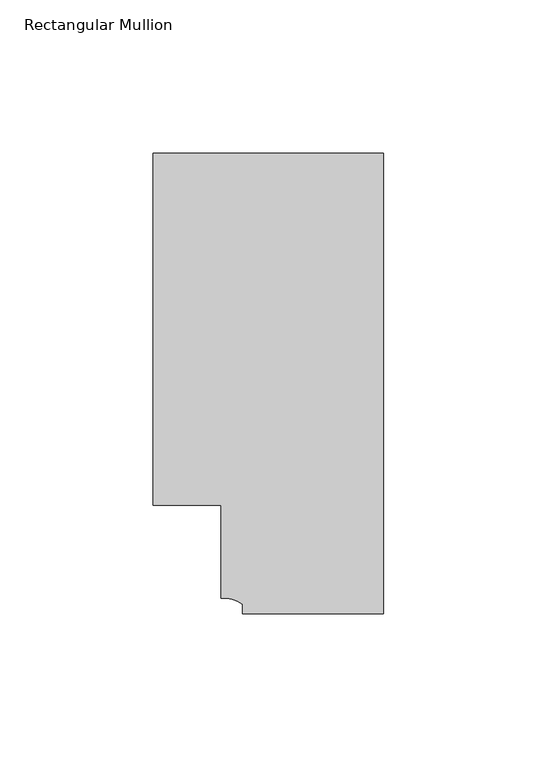
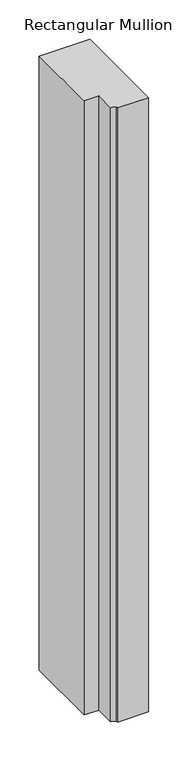
"""IFC4 building model written with IfcOpenShell, lengths in millimetres: member geometry, Rectangular Mullion."""

from ifc_helpers import new_model, si_unit, point, frame, frame_2d, origin, place, context, project, spatial, polyline, circle_curve, trimmed, segment, composite_curve, outline, extrude, source, transform, mapped, element, save


def rectangular_mullion_edef0616(model_context):
    return source(origin(), model_context, "Body", "SweptSolid", [
        extrude(outline(composite_curve([segment(polyline([(0.0, -20.5), (-46.0, -20.5), (-46.0, -17.3125212)]), True, "CONTINUOUS"), segment(trimmed(circle_curve(frame_2d((-52.1098019, -25.7981812)), 10.4563907), [point((-46.0, -17.3125212))], [point((-52.9999391, -15.3797475))], True, "CARTESIAN"), True, "CONTINUOUS"), segment(polyline([(-52.9999391, -15.3797475), (-52.9999391, 15.0000829), (-75.0, 15.0000829), (-75.0, 129.4999988), (0.0, 129.4999988), (0.0, -20.5)]), True, "CONTINUOUS")], self_intersect=False)), frame((0.0, 0.0, -956.8198634), z_axis=(0.0, 0.0, 1.0), x_axis=(1.0, 0.0, 0.0)), (0.0, 0.0, 1.0), 956.8198634),
    ])


if __name__ == "__main__":
    model = new_model("IFC4")
    model_context = context("Model", 3, world=origin())
    ifc_project = project(units=[si_unit("LENGTHUNIT", "METRE", prefix="MILLI")], contexts=[model_context])
    site = spatial("IfcSite", under=ifc_project)
    building = spatial("IfcBuilding", under=site)
    placement = place(None, origin())
    rectangular_mullion_shape = rectangular_mullion_edef0616(model_context)
    element("IfcMember", 1, ObjectType="Rectangular Mullion", at=placement, inside=building, context=model_context, shape_type="MappedRepresentation", body=[
        mapped(rectangular_mullion_shape, transform((0.0, 0.0, 0.0), x_axis=(1.0, 0.0, 0.0), y_axis=(0.0, 1.0, 0.0), z_axis=(0.0, 0.0, 1.0))),
    ])
    save(model, "model.ifc")
